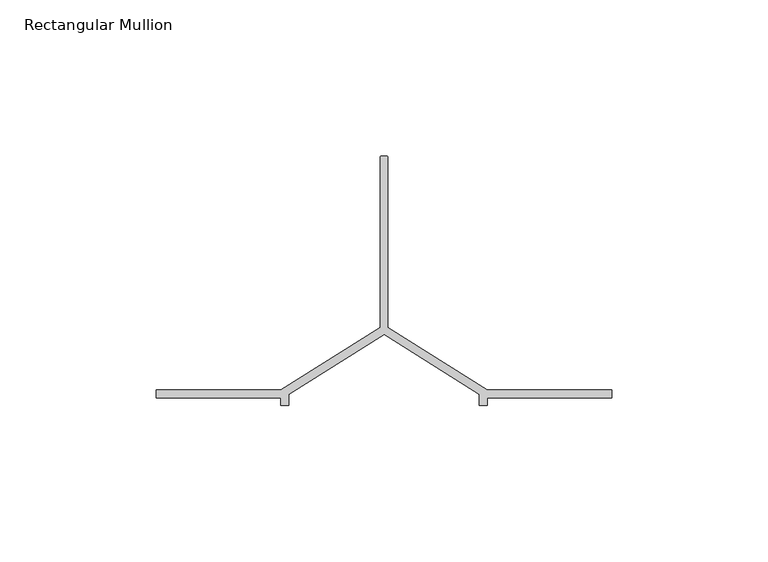
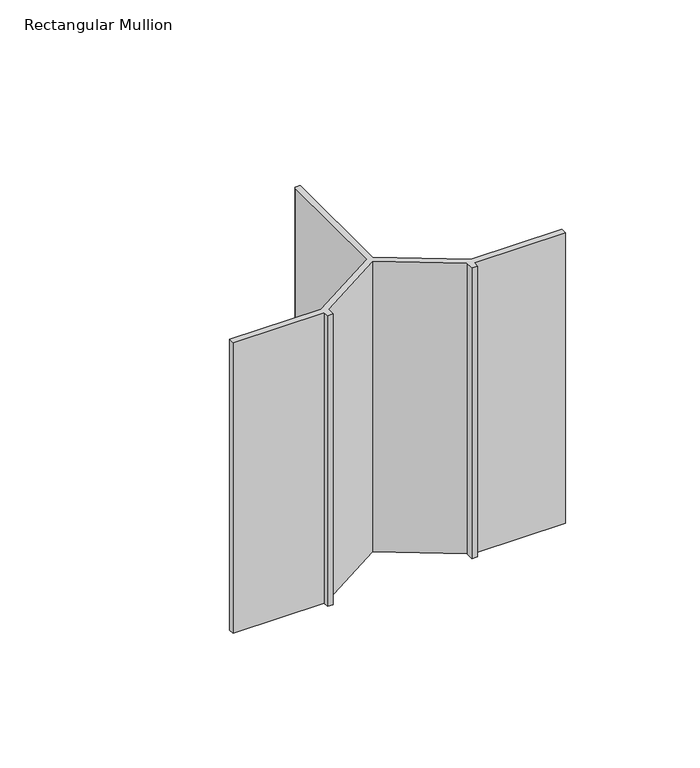
"""IFC4 building model written with IfcOpenShell, lengths in millimetres: member geometry, Rectangular Mullion."""

import ifcopenshell
import ifcopenshell.guid

model = None  # the IFC model being written
_history = None  # IfcOwnerHistory: only IFC2X3 demands one
_inside = {}  # id of a spatial element -> (the spatial element, [elements in it])
_under = {}  # id of a project, library or spatial element -> (it, [spatial elements below it])
_declared = {}  # id of a project -> (the project, [libraries it declares])
_typed = {}  # id of a type object -> (the type object, [elements of that type])
_made_of = {}  # id of a material, layer set ... -> (it, [elements and type objects made of it])


def new_model(schema):
    """Start an empty IFC model of exactly this schema.

    Asked for "IFC4X3", IfcOpenShell would pick the latest addendum, in which some entities
    have other attributes; the version numbers below select the first issue.
    IFC2X3 requires an IfcOwnerHistory on every rooted entity: one is made here for all.
    """
    global model, _history
    if schema == "IFC4X3":
        model = ifcopenshell.file(schema_version=(4, 3, 0, 0))
    else:
        model = ifcopenshell.file(schema=schema)
    _inside.clear()
    _under.clear()
    _declared.clear()
    _typed.clear()
    _made_of.clear()
    _history = None
    if model.schema == "IFC2X3":
        org = make("IfcOrganization", Name="unknown")
        user = make(
            "IfcPersonAndOrganization",
            ThePerson=make("IfcPerson", FamilyName="unknown"),
            TheOrganization=org,
        )
        app = make(
            "IfcApplication",
            ApplicationDeveloper=org,
            Version="unknown",
            ApplicationFullName="unknown",
            ApplicationIdentifier="unknown",
        )
        _history = make(
            "IfcOwnerHistory",
            OwningUser=user,
            OwningApplication=app,
            ChangeAction="ADDED",
            CreationDate=0,
        )
    return model


def make(cls, **values):
    """One entity of the class cls with the attributes given. An attribute that is None is left unset."""
    return model.create_entity(
        cls, **{name: value for name, value in values.items() if value is not None}
    )


def rooted(cls, **values):
    """An entity with a GlobalId (a new one), such as an element, a storey or a relation."""
    return make(cls, GlobalId=ifcopenshell.guid.new(), OwnerHistory=_history, **values)


def si_unit(unit_type, name, prefix=None):
    """IfcSIUnit, for example si_unit("LENGTHUNIT", "METRE", prefix="MILLI")."""
    return make("IfcSIUnit", UnitType=unit_type, Prefix=prefix, Name=name)


def assignment(units):
    """IfcUnitAssignment: the units of a project."""
    return None if units is None else make("IfcUnitAssignment", Units=units)


def point(xyz):
    """IfcCartesianPoint."""
    return None if xyz is None else make("IfcCartesianPoint", Coordinates=xyz)


def direction(xyz):
    """IfcDirection."""
    return None if xyz is None else make("IfcDirection", DirectionRatios=xyz)


def frame(location, z_axis=None, x_axis=None):
    """IfcAxis2Placement3D, a coordinate frame: its origin and axes. An axis left out is left unset."""
    return make(
        "IfcAxis2Placement3D",
        Location=point(location),
        Axis=direction(z_axis),
        RefDirection=direction(x_axis),
    )


def frame_2d(location, x_axis=None):
    """IfcAxis2Placement2D, a coordinate frame in the plane: its origin and x axis."""
    return make(
        "IfcAxis2Placement2D", Location=point(location), RefDirection=direction(x_axis)
    )


def origin():
    """The frame at (0, 0, 0) with its axes left unset."""
    return frame((0.0, 0.0, 0.0))


def place(relative_to, where):
    """IfcLocalPlacement: puts the frame where relative to a parent placement (None: the world)."""
    return make(
        "IfcLocalPlacement", PlacementRelTo=relative_to, RelativePlacement=where
    )


def context(
    kind, dimensions, precision=None, world=None, true_north=None, identifier=None
):
    """IfcGeometricRepresentationContext, for example the 3D "Model" context."""
    return make(
        "IfcGeometricRepresentationContext",
        ContextIdentifier=identifier,
        ContextType=kind,
        CoordinateSpaceDimension=dimensions,
        Precision=precision,
        WorldCoordinateSystem=world,
        TrueNorth=true_north,
    )


def project(units=None, contexts=None):
    """IfcProject with its units and contexts."""
    return rooted(
        "IfcProject",
        Name="project",
        RepresentationContexts=contexts,
        UnitsInContext=assignment(units),
    )


def spatial(cls, under=None, at=None, **own):
    """A site, building, storey or space (cls), placed at a placement, below another one or the project."""
    s = rooted(cls, ObjectPlacement=at, **own)
    if under is not None:
        _under.setdefault(under.id(), (under, []))[1].append(s)
    return s


def polyline(points):
    """IfcPolyline through the points."""
    return make("IfcPolyline", Points=[point(p) for p in points])


def circle_curve(where, radius):
    """IfcCircle in the frame where."""
    return make("IfcCircle", Position=where, Radius=radius)


def trimmed(basis, trim1, trim2, sense, master):
    """IfcTrimmedCurve: the piece of a basis curve between two trims."""
    return make(
        "IfcTrimmedCurve",
        BasisCurve=basis,
        Trim1=trim1,
        Trim2=trim2,
        SenseAgreement=sense,
        MasterRepresentation=master,
    )


def segment(curve, same_sense, transition):
    """IfcCompositeCurveSegment."""
    return make(
        "IfcCompositeCurveSegment",
        Transition=transition,
        SameSense=same_sense,
        ParentCurve=curve,
    )


def composite_curve(segments, self_intersect=None):
    """IfcCompositeCurve: segments joined end to end."""
    return make("IfcCompositeCurve", Segments=segments, SelfIntersect=self_intersect)


def outline(outer, holes=None, kind="AREA"):
    """IfcArbitraryClosedProfileDef: a profile drawn as a closed curve; with holes, ...WithVoids."""
    if holes is None:
        return make("IfcArbitraryClosedProfileDef", ProfileType=kind, OuterCurve=outer)
    return make(
        "IfcArbitraryProfileDefWithVoids",
        ProfileType=kind,
        OuterCurve=outer,
        InnerCurves=holes,
    )


def extrude(swept, where, along, depth):
    """IfcExtrudedAreaSolid: the profile swept, set in the frame where, extruded along a direction by depth."""
    return make(
        "IfcExtrudedAreaSolid",
        SweptArea=swept,
        Position=where,
        ExtrudedDirection=direction(along),
        Depth=depth,
    )


def shape(context_of_items, identifier, shape_type, items):
    """IfcShapeRepresentation: the items that make up one representation, for example the "Body"."""
    return make(
        "IfcShapeRepresentation",
        ContextOfItems=context_of_items,
        RepresentationIdentifier=identifier,
        RepresentationType=shape_type,
        Items=items,
    )


def source(mapping_origin, context_of_items, identifier, shape_type, items):
    """IfcRepresentationMap: a shape defined once, which mapped items show again and again."""
    return make(
        "IfcRepresentationMap",
        MappingOrigin=mapping_origin,
        MappedRepresentation=shape(context_of_items, identifier, shape_type, items),
    )


def transform(
    local_origin,
    x_axis=None,
    y_axis=None,
    z_axis=None,
    scale=None,
    scale2=None,
    scale3=None,
    uniform=True,
):
    """IfcCartesianTransformationOperator3D, or its non-uniform kind. x_axis, y_axis, z_axis: its Axis1, 2, 3."""
    if uniform:
        return make(
            "IfcCartesianTransformationOperator3D",
            Axis1=direction(x_axis),
            Axis2=direction(y_axis),
            LocalOrigin=point(local_origin),
            Scale=scale,
            Axis3=direction(z_axis),
        )
    return make(
        "IfcCartesianTransformationOperator3DnonUniform",
        Axis1=direction(x_axis),
        Axis2=direction(y_axis),
        LocalOrigin=point(local_origin),
        Scale=scale,
        Axis3=direction(z_axis),
        Scale2=scale2,
        Scale3=scale3,
    )


def mapped(mapping_source, mapping_target):
    """IfcMappedItem: shows the shape of a source again, moved by a transform."""
    return make(
        "IfcMappedItem", MappingSource=mapping_source, MappingTarget=mapping_target
    )


def made_of(thing, what):
    """Note that an element or type object is made of a material, layer set ...; save() writes the relation."""
    if what is not None:
        _made_of.setdefault(what.id(), (what, []))[1].append(thing)
    return thing


def element(
    cls,
    number,
    at=None,
    inside=None,
    cuts=None,
    type_object=None,
    material=None,
    context=None,
    identifier="Body",
    shape_type=None,
    held_by="IfcProductDefinitionShape",
    body=None,
    shapes=None,
    **own,
):
    """One element of the class cls, such as IfcWall. Its Tag is "e" and its number.

    at: its placement. inside: the storey or other place that contains it. cuts: it is an
    opening in that element (IfcRelVoidsElement). A single representation is given by context,
    identifier, shape_type and body (its items); several are given by shapes. held_by: the class
    of the entity that holds the representations. save() writes the other relations.
    """
    e = rooted(cls, Tag="e%d" % number, ObjectPlacement=at, **own)
    if body is not None:
        shapes = [shape(context, identifier, shape_type, body)]
    if shapes is not None:
        e.Representation = make(held_by, Representations=shapes)
    if inside is not None:
        _inside.setdefault(inside.id(), (inside, []))[1].append(e)
    if cuts is not None:
        rooted(
            "IfcRelVoidsElement", RelatingBuildingElement=cuts, RelatedOpeningElement=e
        )
    if type_object is not None:
        _typed.setdefault(type_object.id(), (type_object, []))[1].append(e)
    return made_of(e, material)


def aggregate(whole, parts):
    """IfcRelAggregates: a whole, such as a stair, and the parts it consists of."""
    return rooted("IfcRelAggregates", RelatingObject=whole, RelatedObjects=parts)


def save(model, path):
    """Write the relations noted so far, then the file.

    IfcRelAggregates (storeys below a building ...), IfcRelContainedInSpatialStructure (elements
    in a storey), IfcRelDefinesByType, IfcRelAssociatesMaterial and IfcRelDeclares: one each for
    every whole, place, type object, material and project.
    """
    for whole, parts in _under.values():
        aggregate(whole, parts)
    for where, things in _inside.values():
        rooted(
            "IfcRelContainedInSpatialStructure",
            RelatedElements=things,
            RelatingStructure=where,
        )
    for kind, things in _typed.values():
        rooted("IfcRelDefinesByType", RelatedObjects=things, RelatingType=kind)
    for what, things in _made_of.values():
        rooted("IfcRelAssociatesMaterial", RelatedObjects=things, RelatingMaterial=what)
    for by, libraries in _declared.values():
        rooted("IfcRelDeclares", RelatingContext=by, RelatedDefinitions=libraries)
    model.write(path)


def rectangular_mullion_7cc9d192(model_context):
    return source(origin(), model_context, "Body", "SweptSolid", [
        extrude(outline(composite_curve([segment(polyline([(-73.75, -68.5), (-72.25, -68.5)]), True, "CONTINUOUS"), segment(trimmed(circle_curve(frame_2d((-72.25, -69.0)), 0.5), [point((-72.25, -68.5))], [point((-71.75, -69.0))], False, "CARTESIAN"), True, "CONTINUOUS"), segment(polyline([(-71.75, -69.0), (-71.75, -123.5), (-40.0, -143.5), (0.0, -143.5), (0.0, -146.0), (-40.0, -146.0), (-40.0, -148.5), (-42.5, -148.5), (-42.5, -144.879855), (-73.0, -125.6672566), (-103.5, -144.879855), (-103.5, -148.5), (-106.0, -148.5), (-106.0, -146.0), (-146.0, -146.0), (-146.0, -143.5), (-106.0, -143.5), (-74.25, -123.5), (-74.25, -69.0)]), True, "CONTINUOUS"), segment(trimmed(circle_curve(frame_2d((-73.75, -69.0)), 0.5), [point((-74.25, -69.0))], [point((-73.75, -68.5))], False, "CARTESIAN"), True, "CONTINUOUS")], self_intersect=False)), frame((0.0, 0.0, -135.0), z_axis=(0.0, 0.0, 1.0), x_axis=(1.0, 0.0, 0.0)), (0.0, 0.0, 1.0), 135.0),
    ])


if __name__ == "__main__":
    model = new_model("IFC4")
    model_context = context("Model", 3, world=origin())
    ifc_project = project(units=[si_unit("LENGTHUNIT", "METRE", prefix="MILLI")], contexts=[model_context])
    site = spatial("IfcSite", under=ifc_project)
    building = spatial("IfcBuilding", under=site)
    placement = place(None, origin())
    rectangular_mullion_shape = rectangular_mullion_7cc9d192(model_context)
    element("IfcMember", 1, ObjectType="Rectangular Mullion", at=placement, inside=building, context=model_context, shape_type="MappedRepresentation", body=[
        mapped(rectangular_mullion_shape, transform((0.0, 0.0, 0.0), x_axis=(1.0, 0.0, 0.0), y_axis=(0.0, 1.0, 0.0), z_axis=(0.0, 0.0, 1.0))),
    ])
    save(model, "model.ifc")
